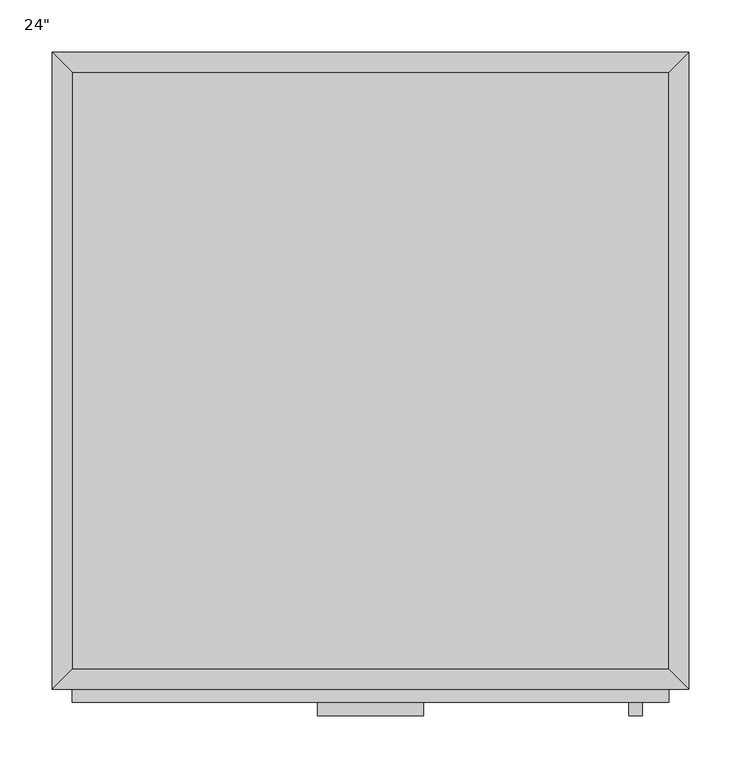
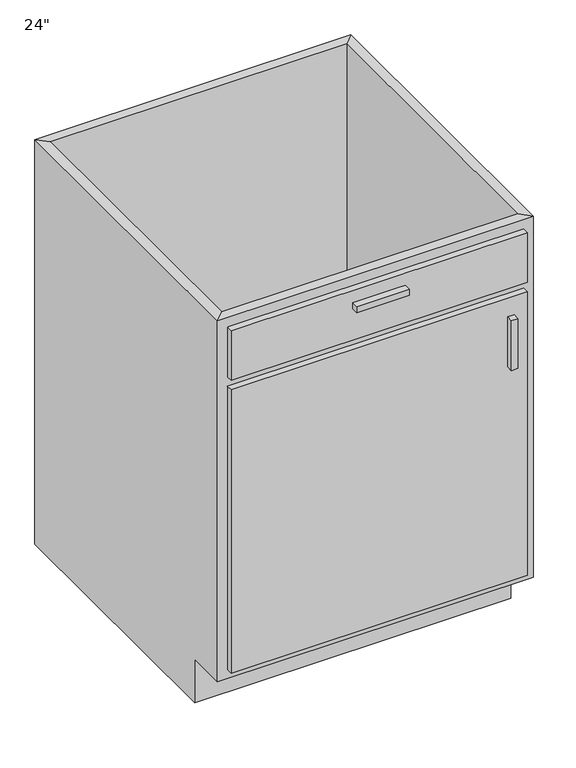
"""IFC4 building model written with IfcOpenShell, lengths in millimetres: furniture geometry."""

from ifc_helpers import new_model, si_unit, frame, origin, place, context, project, spatial, polyline, outline, extrude, faceted_brep, source, transform, mapped, element, save


def furniture_932eb53a(model_context):
    return source(origin(), model_context, "Body", "SolidModel", [
        faceted_brep([(304.4877049, -590.55, 825.5), (304.4877049, -590.55, 88.9), (-267.0122951, -590.55, 88.9), (-267.0122951, -590.55, 825.5), (-286.0622951, -609.6, 825.5), (323.5377049, -609.6, 825.5), (-286.0622951, -609.6, 88.9), (323.5377049, -609.6, 88.9), (-267.0122951, -533.4, 88.9), (-267.0122951, -19.05, 88.9), (-267.0122951, -19.05, 825.5), (-286.0622951, 0.0, 825.5), (-286.0622951, 0.0, 0.0), (-286.0622951, -533.4, 0.0), (-286.0622951, -533.4, 88.9), (304.4877049, -19.05, 88.9), (304.4877049, -19.05, 825.5), (323.5377049, 0.0, 825.5), (323.5377049, 0.0, 0.0), (304.4877049, -533.4, 88.9), (323.5377049, -533.4, 88.9), (323.5377049, -533.4, 0.0)], [[[0, 1, 2, 3]], [[0, 3, 4, 5]], [[5, 4, 6, 7]], [[2, 1, 7, 6]], [[3, 2, 8, 9, 10]], [[4, 3, 10, 11]], [[6, 4, 11, 12, 13, 14]], [[2, 6, 14, 8]], [[10, 9, 15, 16]], [[11, 10, 16, 17]], [[12, 11, 17, 18]], [[1, 0, 16, 15, 19]], [[0, 5, 17, 16]], [[5, 7, 20, 21, 18, 17]], [[7, 1, 19, 20]], [[8, 19, 15, 9]], [[18, 21, 13, 12]], [[13, 21, 20, 19, 8, 14]]]),
        extrude(outline(polyline([(279.0877049, -635.0), (266.3877049, -635.0), (266.3877049, -622.3), (279.0877049, -622.3), (279.0877049, -635.0)])), frame((0.0, 0.0, 546.1), z_axis=(0.0, 0.0, 1.0), x_axis=(1.0, 0.0, 0.0)), (0.0, 0.0, 1.0), 101.6),
        extrude(outline(polyline([(69.5377049, -635.0), (-32.0622951, -635.0), (-32.0622951, -622.3), (69.5377049, -622.3), (69.5377049, -635.0)])), frame((0.0, 0.0, 768.35), z_axis=(0.0, 0.0, 1.0), x_axis=(1.0, 0.0, 0.0)), (0.0, 0.0, 1.0), 12.7),
        extrude(outline(polyline([(304.4877049, -622.3), (-267.0122951, -622.3), (-267.0122951, -609.6), (304.4877049, -609.6), (304.4877049, -622.3)])), frame((0.0, 0.0, 107.95), z_axis=(0.0, 0.0, 1.0), x_axis=(1.0, 0.0, 0.0)), (0.0, 0.0, 1.0), 577.85),
        extrude(outline(polyline([(304.4877049, -622.3), (-267.0122951, -622.3), (-267.0122951, -609.6), (304.4877049, -609.6), (304.4877049, -622.3)])), frame((0.0, 0.0, 704.85), z_axis=(0.0, 0.0, 1.0), x_axis=(1.0, 0.0, 0.0)), (0.0, 0.0, 1.0), 101.6),
        extrude(outline(polyline([(304.4877049, -19.05), (304.4877049, -590.55), (-267.0122951, -590.55), (-267.0122951, -19.05), (304.4877049, -19.05)])), frame((0.0, 0.0, 88.9), z_axis=(0.0, 0.0, 1.0), x_axis=(1.0, 0.0, 0.0)), (0.0, 0.0, 1.0), 19.05),
    ])


if __name__ == "__main__":
    model = new_model("IFC4")
    model_context = context("Model", 3, world=origin())
    ifc_project = project(units=[si_unit("LENGTHUNIT", "METRE", prefix="MILLI")], contexts=[model_context])
    site = spatial("IfcSite", under=ifc_project)
    building = spatial("IfcBuilding", under=site)
    placement = place(None, origin())
    furniture_shape = furniture_932eb53a(model_context)
    element("IfcFurniture", 1, ObjectType="24\"", at=placement, inside=building, context=model_context, shape_type="MappedRepresentation", body=[
        mapped(furniture_shape, transform((0.0, 0.0, 0.0), x_axis=(1.0, 0.0, 0.0), y_axis=(0.0, 1.0, 0.0), z_axis=(0.0, 0.0, 1.0))),
    ])
    save(model, "model.ifc")
